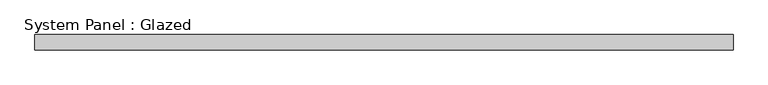
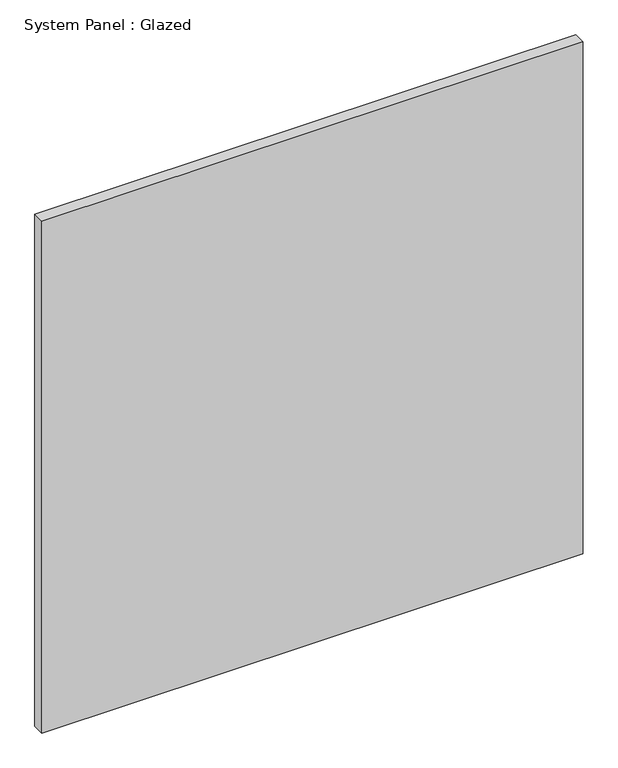
"""IFC4 building model written with IfcOpenShell, lengths in millimetres: plate geometry, System Panel : Glazed."""

from ifc_helpers import new_model, si_unit, origin, origin_with_axes, place, context, project, spatial, polyline, outline, extrude, source, transform, mapped, element, save


def system_panel_glazed_d2a9d2e7(model_context):
    return source(origin(), model_context, "Body", "SweptSolid", [
        extrude(outline(polyline([(571.6192859, -12.7), (-571.6192859, -12.7), (-571.6192859, 12.7), (571.6192859, 12.7), (571.6192859, -12.7)])), origin_with_axes(), (0.0, 0.0, 1.0), 1143.0),
    ])


if __name__ == "__main__":
    model = new_model("IFC4")
    model_context = context("Model", 3, world=origin())
    ifc_project = project(units=[si_unit("LENGTHUNIT", "METRE", prefix="MILLI")], contexts=[model_context])
    site = spatial("IfcSite", under=ifc_project)
    building = spatial("IfcBuilding", under=site)
    placement = place(None, origin())
    system_panel_glazed_shape = system_panel_glazed_d2a9d2e7(model_context)
    element("IfcPlate", 1, ObjectType="System Panel : Glazed", at=placement, inside=building, context=model_context, shape_type="MappedRepresentation", body=[
        mapped(system_panel_glazed_shape, transform((0.0, 0.0, 0.0), x_axis=(1.0, 0.0, 0.0), y_axis=(0.0, 1.0, 0.0), z_axis=(0.0, 0.0, 1.0))),
    ])
    save(model, "model.ifc")
